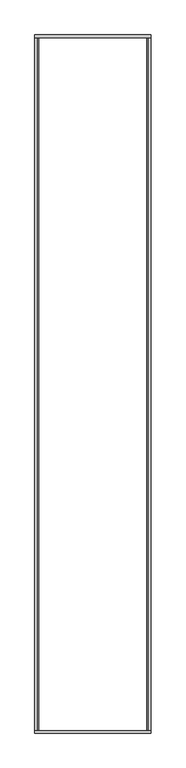
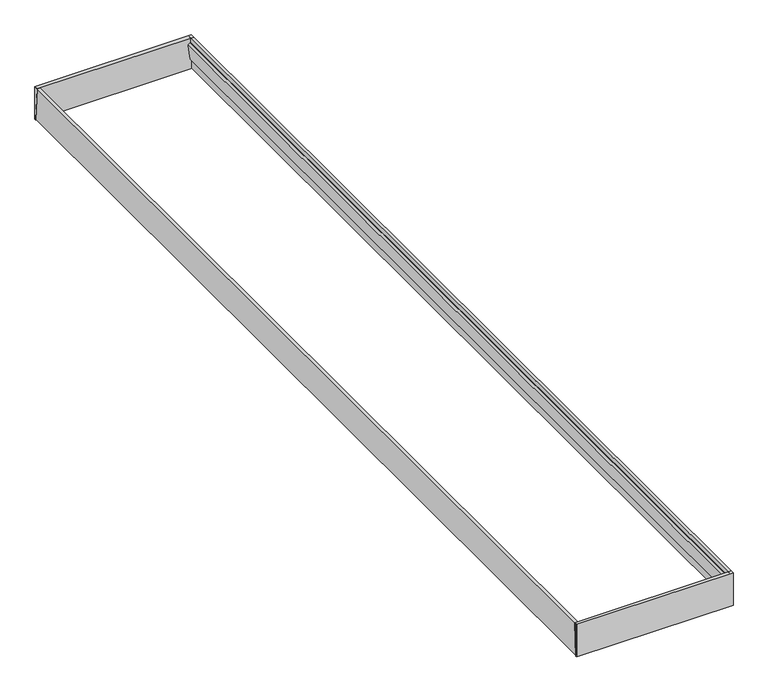
"""IFC4 building model written with IfcOpenShell, lengths in millimetres: beam geometry."""

from ifc_helpers import new_model, si_unit, frame, origin, place, context, project, spatial, polyline, outline, extrude, source, transform, mapped, element, save


def beam_ed692f9f(model_context):
    return source(origin(), model_context, "Body", "SweptSolid", [
        extrude(outline(polyline([(5965.0, 220.0), (5990.0, 220.0), (5990.0, 0.0), (5980.0, 0.0), (5965.0, 220.0)])), frame((5.0, 0.0, 0.0), z_axis=(1.0, 0.0, 0.0), x_axis=(0.0, 1.0, 0.0)), (0.0, 0.0, 1.0), 1000.0),
        extrude(outline(polyline([(10.0, 220.0), (0.0, 0.0), (-10.0, 0.0), (-10.0, 220.0), (10.0, 220.0)])), frame((5.0, 0.0, 0.0), z_axis=(1.0, 0.0, 0.0), x_axis=(0.0, 1.0, 0.0)), (0.0, 0.0, 1.0), 1000.0),
        extrude(outline(polyline([(71.0129189, 995.4251599), (6.9651578, 1000.0), (6.9651578, 1005.0), (220.0, 1005.0), (220.0, 984.7832256), (190.4202344, 986.896066), (190.2064933, 983.9036899), (177.1682831, 970.0), (74.1450488, 987.1810542), (70.5114493, 992.4533359), (71.0129189, 995.4251599)])), frame((0.0, 0.0, 0.0), z_axis=(0.0, 1.0, 0.0), x_axis=(0.0, 0.0, 1.0)), (0.0, 0.0, 1.0), 5980.0),
        extrude(outline(polyline([(71.0129189, 14.371614), (70.5114493, 17.3434381), (74.1450488, 22.6157198), (177.1682831, 40.0), (190.2064933, 25.8930841), (190.4202344, 22.900708), (220.0, 25.0135484), (220.0, 5.0), (7.0, 5.0), (7.0, 10.0), (71.0129189, 14.371614)])), frame((0.0, 0.0, 0.0), z_axis=(0.0, 1.0, 0.0), x_axis=(0.0, 0.0, 1.0)), (0.0, 0.0, 1.0), 5980.0),
    ])


if __name__ == "__main__":
    model = new_model("IFC4")
    model_context = context("Model", 3, world=origin())
    ifc_project = project(units=[si_unit("LENGTHUNIT", "METRE", prefix="MILLI")], contexts=[model_context])
    site = spatial("IfcSite", under=ifc_project)
    building = spatial("IfcBuilding", under=site)
    placement = place(None, origin())
    beam_shape = beam_ed692f9f(model_context)
    element("IfcBeam", 1, at=placement, inside=building, context=model_context, shape_type="MappedRepresentation", body=[
        mapped(beam_shape, transform((0.0, 0.0, 0.0), x_axis=(1.0, 0.0, 0.0), y_axis=(0.0, 1.0, 0.0), z_axis=(0.0, 0.0, 1.0))),
    ])
    save(model, "model.ifc")
